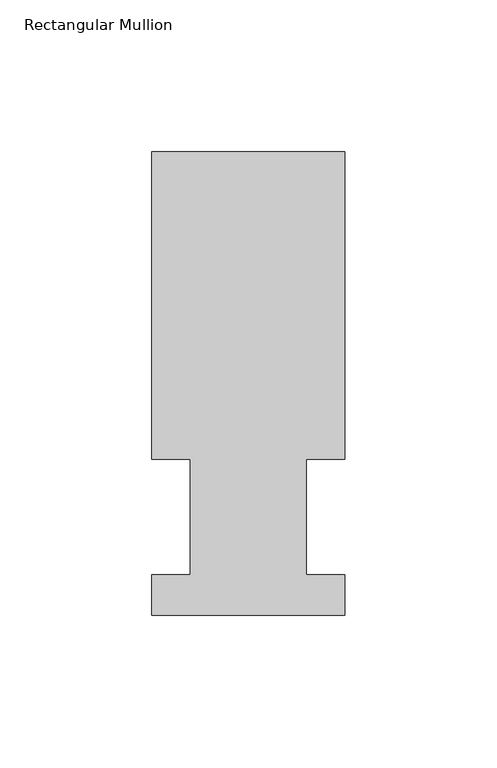
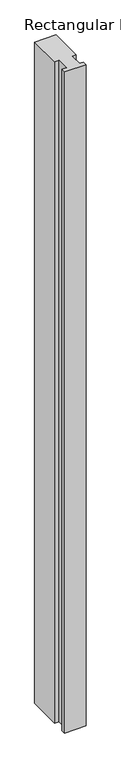
"""IFC4 building model written with IfcOpenShell, lengths in millimetres: member geometry, Rectangular Mullion."""

from ifc_helpers import new_model, si_unit, frame, origin, place, context, project, spatial, polyline, outline, extrude, source, transform, mapped, element, save


def rectangular_mullion_c6876e7f(model_context):
    return source(origin(), model_context, "Body", "SweptSolid", [
        extrude(outline(polyline([(31.75, 152.4896938), (31.75, 51.2960937), (19.05, 51.2960937), (19.05, 13.1960938), (31.75, 13.1960938), (31.75, 0.0134938), (-31.75, 0.0134938), (-31.75, 13.1960938), (-19.05, 13.1960938), (-19.05, 51.2960937), (-31.75, 51.2960937), (-31.75, 152.4896938), (31.75, 152.4896938)])), frame((0.0, 0.0, -2057.4), z_axis=(0.0, 0.0, 1.0), x_axis=(1.0, 0.0, 0.0)), (0.0, 0.0, 1.0), 2057.4),
    ])


if __name__ == "__main__":
    model = new_model("IFC4")
    model_context = context("Model", 3, world=origin())
    ifc_project = project(units=[si_unit("LENGTHUNIT", "METRE", prefix="MILLI")], contexts=[model_context])
    site = spatial("IfcSite", under=ifc_project)
    building = spatial("IfcBuilding", under=site)
    placement = place(None, origin())
    rectangular_mullion_shape = rectangular_mullion_c6876e7f(model_context)
    element("IfcMember", 1, ObjectType="Rectangular Mullion", at=placement, inside=building, context=model_context, shape_type="MappedRepresentation", body=[
        mapped(rectangular_mullion_shape, transform((0.0, 0.0, 0.0), x_axis=(1.0, 0.0, 0.0), y_axis=(0.0, 1.0, 0.0), z_axis=(0.0, 0.0, 1.0))),
    ])
    save(model, "model.ifc")
